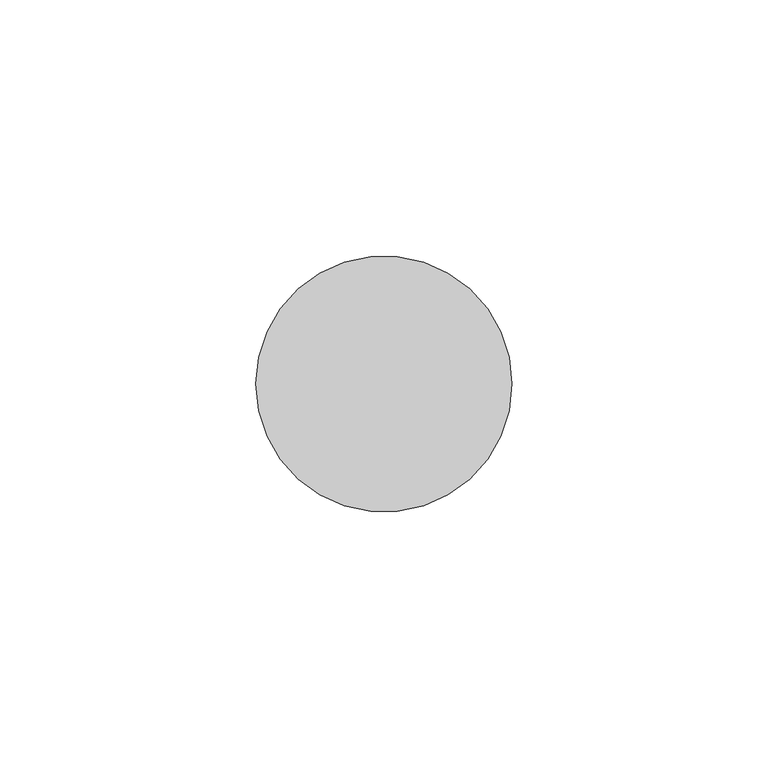
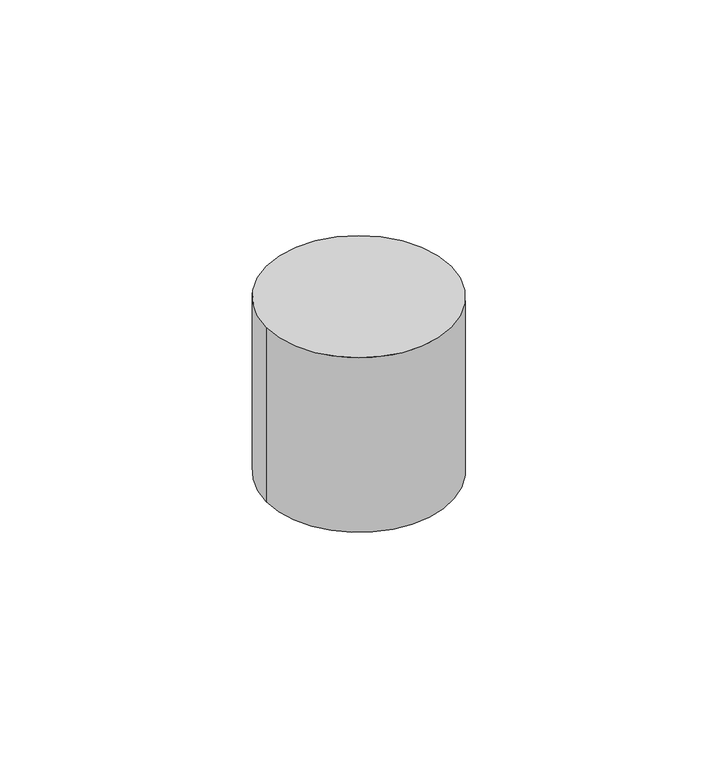
"""IFC4 building model written with IfcOpenShell, lengths in millimetres: member geometry."""

from ifc_helpers import new_model, si_unit, point, frame, origin, origin_2d, place, context, project, spatial, circle_curve, trimmed, segment, composite_curve, outline, extrude, source, transform, mapped, element, save


def member_5f872c66(model_context):
    return source(origin(), model_context, "Body", "SweptSolid", [
        extrude(outline(composite_curve([segment(trimmed(circle_curve(origin_2d(), 25.0), [point((25.0, 0.0))], [point((-25.0, 0.0))], False, "CARTESIAN"), True, "CONTINUOUS"), segment(trimmed(circle_curve(origin_2d(), 25.0), [point((-25.0, 0.0))], [point((25.0, 0.0))], False, "CARTESIAN"), True, "CONTINUOUS")], self_intersect=False)), frame((0.0, 0.0, -50.0), z_axis=(0.0, 0.0, 1.0), x_axis=(1.0, 0.0, 0.0)), (0.0, 0.0, 1.0), 50.0),
    ])


if __name__ == "__main__":
    model = new_model("IFC4")
    model_context = context("Model", 3, world=origin())
    ifc_project = project(units=[si_unit("LENGTHUNIT", "METRE", prefix="MILLI")], contexts=[model_context])
    site = spatial("IfcSite", under=ifc_project)
    building = spatial("IfcBuilding", under=site)
    placement = place(None, origin())
    member_shape = member_5f872c66(model_context)
    element("IfcMember", 1, at=placement, inside=building, context=model_context, shape_type="MappedRepresentation", body=[
        mapped(member_shape, transform((0.0, 0.0, 0.0), x_axis=(1.0, 0.0, 0.0), y_axis=(0.0, 1.0, 0.0), z_axis=(0.0, 0.0, 1.0))),
    ])
    save(model, "model.ifc")
